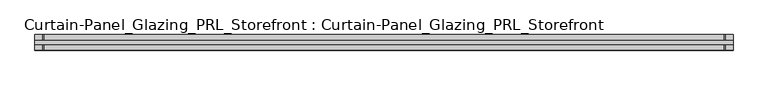
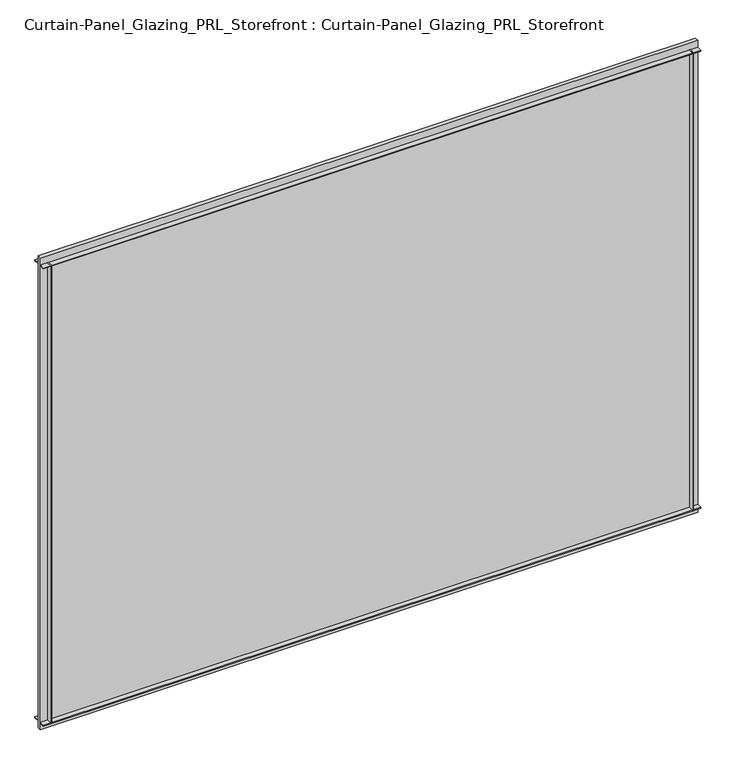
"""IFC4 building model written with IfcOpenShell, lengths in millimetres: plate geometry, Curtain-Panel_Glazing_PRL_Storefront : Curtain-Panel_Glazing_PRL_Storefront."""

import ifcopenshell
import ifcopenshell.guid

model = None  # the IFC model being written
_history = None  # IfcOwnerHistory: only IFC2X3 demands one
_inside = {}  # id of a spatial element -> (the spatial element, [elements in it])
_under = {}  # id of a project, library or spatial element -> (it, [spatial elements below it])
_declared = {}  # id of a project -> (the project, [libraries it declares])
_typed = {}  # id of a type object -> (the type object, [elements of that type])
_made_of = {}  # id of a material, layer set ... -> (it, [elements and type objects made of it])


def new_model(schema):
    """Start an empty IFC model of exactly this schema.

    Asked for "IFC4X3", IfcOpenShell would pick the latest addendum, in which some entities
    have other attributes; the version numbers below select the first issue.
    IFC2X3 requires an IfcOwnerHistory on every rooted entity: one is made here for all.
    """
    global model, _history
    if schema == "IFC4X3":
        model = ifcopenshell.file(schema_version=(4, 3, 0, 0))
    else:
        model = ifcopenshell.file(schema=schema)
    _inside.clear()
    _under.clear()
    _declared.clear()
    _typed.clear()
    _made_of.clear()
    _history = None
    if model.schema == "IFC2X3":
        org = make("IfcOrganization", Name="unknown")
        user = make(
            "IfcPersonAndOrganization",
            ThePerson=make("IfcPerson", FamilyName="unknown"),
            TheOrganization=org,
        )
        app = make(
            "IfcApplication",
            ApplicationDeveloper=org,
            Version="unknown",
            ApplicationFullName="unknown",
            ApplicationIdentifier="unknown",
        )
        _history = make(
            "IfcOwnerHistory",
            OwningUser=user,
            OwningApplication=app,
            ChangeAction="ADDED",
            CreationDate=0,
        )
    return model


def make(cls, **values):
    """One entity of the class cls with the attributes given. An attribute that is None is left unset."""
    return model.create_entity(
        cls, **{name: value for name, value in values.items() if value is not None}
    )


def rooted(cls, **values):
    """An entity with a GlobalId (a new one), such as an element, a storey or a relation."""
    return make(cls, GlobalId=ifcopenshell.guid.new(), OwnerHistory=_history, **values)


def si_unit(unit_type, name, prefix=None):
    """IfcSIUnit, for example si_unit("LENGTHUNIT", "METRE", prefix="MILLI")."""
    return make("IfcSIUnit", UnitType=unit_type, Prefix=prefix, Name=name)


def assignment(units):
    """IfcUnitAssignment: the units of a project."""
    return None if units is None else make("IfcUnitAssignment", Units=units)


def point(xyz):
    """IfcCartesianPoint."""
    return None if xyz is None else make("IfcCartesianPoint", Coordinates=xyz)


def direction(xyz):
    """IfcDirection."""
    return None if xyz is None else make("IfcDirection", DirectionRatios=xyz)


def frame(location, z_axis=None, x_axis=None):
    """IfcAxis2Placement3D, a coordinate frame: its origin and axes. An axis left out is left unset."""
    return make(
        "IfcAxis2Placement3D",
        Location=point(location),
        Axis=direction(z_axis),
        RefDirection=direction(x_axis),
    )


def origin():
    """The frame at (0, 0, 0) with its axes left unset."""
    return frame((0.0, 0.0, 0.0))


def origin_with_axes():
    """The frame at (0, 0, 0) with the z axis (0, 0, 1) and the x axis (1, 0, 0) written out."""
    return frame((0.0, 0.0, 0.0), z_axis=(0.0, 0.0, 1.0), x_axis=(1.0, 0.0, 0.0))


def place(relative_to, where):
    """IfcLocalPlacement: puts the frame where relative to a parent placement (None: the world)."""
    return make(
        "IfcLocalPlacement", PlacementRelTo=relative_to, RelativePlacement=where
    )


def context(
    kind, dimensions, precision=None, world=None, true_north=None, identifier=None
):
    """IfcGeometricRepresentationContext, for example the 3D "Model" context."""
    return make(
        "IfcGeometricRepresentationContext",
        ContextIdentifier=identifier,
        ContextType=kind,
        CoordinateSpaceDimension=dimensions,
        Precision=precision,
        WorldCoordinateSystem=world,
        TrueNorth=true_north,
    )


def project(units=None, contexts=None):
    """IfcProject with its units and contexts."""
    return rooted(
        "IfcProject",
        Name="project",
        RepresentationContexts=contexts,
        UnitsInContext=assignment(units),
    )


def spatial(cls, under=None, at=None, **own):
    """A site, building, storey or space (cls), placed at a placement, below another one or the project."""
    s = rooted(cls, ObjectPlacement=at, **own)
    if under is not None:
        _under.setdefault(under.id(), (under, []))[1].append(s)
    return s


def polyline(points):
    """IfcPolyline through the points."""
    return make("IfcPolyline", Points=[point(p) for p in points])


def outline(outer, holes=None, kind="AREA"):
    """IfcArbitraryClosedProfileDef: a profile drawn as a closed curve; with holes, ...WithVoids."""
    if holes is None:
        return make("IfcArbitraryClosedProfileDef", ProfileType=kind, OuterCurve=outer)
    return make(
        "IfcArbitraryProfileDefWithVoids",
        ProfileType=kind,
        OuterCurve=outer,
        InnerCurves=holes,
    )


def extrude(swept, where, along, depth):
    """IfcExtrudedAreaSolid: the profile swept, set in the frame where, extruded along a direction by depth."""
    return make(
        "IfcExtrudedAreaSolid",
        SweptArea=swept,
        Position=where,
        ExtrudedDirection=direction(along),
        Depth=depth,
    )


def shape(context_of_items, identifier, shape_type, items):
    """IfcShapeRepresentation: the items that make up one representation, for example the "Body"."""
    return make(
        "IfcShapeRepresentation",
        ContextOfItems=context_of_items,
        RepresentationIdentifier=identifier,
        RepresentationType=shape_type,
        Items=items,
    )


def source(mapping_origin, context_of_items, identifier, shape_type, items):
    """IfcRepresentationMap: a shape defined once, which mapped items show again and again."""
    return make(
        "IfcRepresentationMap",
        MappingOrigin=mapping_origin,
        MappedRepresentation=shape(context_of_items, identifier, shape_type, items),
    )


def transform(
    local_origin,
    x_axis=None,
    y_axis=None,
    z_axis=None,
    scale=None,
    scale2=None,
    scale3=None,
    uniform=True,
):
    """IfcCartesianTransformationOperator3D, or its non-uniform kind. x_axis, y_axis, z_axis: its Axis1, 2, 3."""
    if uniform:
        return make(
            "IfcCartesianTransformationOperator3D",
            Axis1=direction(x_axis),
            Axis2=direction(y_axis),
            LocalOrigin=point(local_origin),
            Scale=scale,
            Axis3=direction(z_axis),
        )
    return make(
        "IfcCartesianTransformationOperator3DnonUniform",
        Axis1=direction(x_axis),
        Axis2=direction(y_axis),
        LocalOrigin=point(local_origin),
        Scale=scale,
        Axis3=direction(z_axis),
        Scale2=scale2,
        Scale3=scale3,
    )


def mapped(mapping_source, mapping_target):
    """IfcMappedItem: shows the shape of a source again, moved by a transform."""
    return make(
        "IfcMappedItem", MappingSource=mapping_source, MappingTarget=mapping_target
    )


def made_of(thing, what):
    """Note that an element or type object is made of a material, layer set ...; save() writes the relation."""
    if what is not None:
        _made_of.setdefault(what.id(), (what, []))[1].append(thing)
    return thing


def element(
    cls,
    number,
    at=None,
    inside=None,
    cuts=None,
    type_object=None,
    material=None,
    context=None,
    identifier="Body",
    shape_type=None,
    held_by="IfcProductDefinitionShape",
    body=None,
    shapes=None,
    **own,
):
    """One element of the class cls, such as IfcWall. Its Tag is "e" and its number.

    at: its placement. inside: the storey or other place that contains it. cuts: it is an
    opening in that element (IfcRelVoidsElement). A single representation is given by context,
    identifier, shape_type and body (its items); several are given by shapes. held_by: the class
    of the entity that holds the representations. save() writes the other relations.
    """
    e = rooted(cls, Tag="e%d" % number, ObjectPlacement=at, **own)
    if body is not None:
        shapes = [shape(context, identifier, shape_type, body)]
    if shapes is not None:
        e.Representation = make(held_by, Representations=shapes)
    if inside is not None:
        _inside.setdefault(inside.id(), (inside, []))[1].append(e)
    if cuts is not None:
        rooted(
            "IfcRelVoidsElement", RelatingBuildingElement=cuts, RelatedOpeningElement=e
        )
    if type_object is not None:
        _typed.setdefault(type_object.id(), (type_object, []))[1].append(e)
    return made_of(e, material)


def aggregate(whole, parts):
    """IfcRelAggregates: a whole, such as a stair, and the parts it consists of."""
    return rooted("IfcRelAggregates", RelatingObject=whole, RelatedObjects=parts)


def save(model, path):
    """Write the relations noted so far, then the file.

    IfcRelAggregates (storeys below a building ...), IfcRelContainedInSpatialStructure (elements
    in a storey), IfcRelDefinesByType, IfcRelAssociatesMaterial and IfcRelDeclares: one each for
    every whole, place, type object, material and project.
    """
    for whole, parts in _under.values():
        aggregate(whole, parts)
    for where, things in _inside.values():
        rooted(
            "IfcRelContainedInSpatialStructure",
            RelatedElements=things,
            RelatingStructure=where,
        )
    for kind, things in _typed.values():
        rooted("IfcRelDefinesByType", RelatedObjects=things, RelatingType=kind)
    for what, things in _made_of.values():
        rooted("IfcRelAssociatesMaterial", RelatedObjects=things, RelatingMaterial=what)
    for by, libraries in _declared.values():
        rooted("IfcRelDeclares", RelatingContext=by, RelatedDefinitions=libraries)
    model.write(path)


def curtain_panel_glazing_prl_storefront_curtain_panel_glazing_0676385b(model_context):
    return source(origin(), model_context, "Body", "SweptSolid", [
        extrude(outline(polyline([(539.75, -12.7), (538.1625, -12.7), (538.1625, -3.175), (539.75, -3.175), (539.75, -12.7)])), frame((0.0, 0.0, 12.7), z_axis=(0.0, 0.0, 1.0), x_axis=(1.0, 0.0, 0.0)), (0.0, 0.0, 1.0), 841.375),
        extrude(outline(polyline([(539.75, 12.7), (539.75, 3.175), (538.1625, 3.175), (538.1625, 12.7), (539.75, 12.7)])), frame((0.0, 0.0, 12.7), z_axis=(0.0, 0.0, 1.0), x_axis=(1.0, 0.0, 0.0)), (0.0, 0.0, 1.0), 841.375),
        extrude(outline(polyline([(-577.85, -12.7), (-577.85, -3.175), (-576.2625, -3.175), (-576.2625, -12.7), (-577.85, -12.7)])), frame((0.0, 0.0, 12.7), z_axis=(0.0, 0.0, 1.0), x_axis=(1.0, 0.0, 0.0)), (0.0, 0.0, 1.0), 841.375),
        extrude(outline(polyline([(-577.85, 12.7), (-576.2625, 12.7), (-576.2625, 3.175), (-577.85, 3.175), (-577.85, 12.7)])), frame((0.0, 0.0, 12.7), z_axis=(0.0, 0.0, 1.0), x_axis=(1.0, 0.0, 0.0)), (0.0, 0.0, 1.0), 841.375),
        extrude(outline(polyline([(552.45, 3.175), (552.45, -3.175), (-590.55, -3.175), (-590.55, 3.175), (552.45, 3.175)])), origin_with_axes(), (0.0, 0.0, 1.0), 866.775),
        extrude(outline(polyline([(-590.55, -12.7), (-590.55, -3.175), (552.45, -3.175), (552.45, -12.7), (-590.55, -12.7)])), frame((0.0, 0.0, 852.4875), z_axis=(0.0, 0.0, 1.0), x_axis=(1.0, 0.0, 0.0)), (0.0, 0.0, 1.0), 1.5875),
        extrude(outline(polyline([(-590.55, 12.7), (552.45, 12.7), (552.45, 3.175), (-590.55, 3.175), (-590.55, 12.7)])), frame((0.0, 0.0, 852.4875), z_axis=(0.0, 0.0, 1.0), x_axis=(1.0, 0.0, 0.0)), (0.0, 0.0, 1.0), 1.5875),
        extrude(outline(polyline([(-590.55, -12.7), (-590.55, -3.175), (552.45, -3.175), (552.45, -12.7), (-590.55, -12.7)])), frame((0.0, 0.0, 12.7), z_axis=(0.0, 0.0, 1.0), x_axis=(1.0, 0.0, 0.0)), (0.0, 0.0, 1.0), 1.5875),
        extrude(outline(polyline([(-590.55, 12.7), (552.45, 12.7), (552.45, 3.175), (-590.55, 3.175), (-590.55, 12.7)])), frame((0.0, 0.0, 12.7), z_axis=(0.0, 0.0, 1.0), x_axis=(1.0, 0.0, 0.0)), (0.0, 0.0, 1.0), 1.5875),
    ])


if __name__ == "__main__":
    model = new_model("IFC4")
    model_context = context("Model", 3, world=origin())
    ifc_project = project(units=[si_unit("LENGTHUNIT", "METRE", prefix="MILLI")], contexts=[model_context])
    site = spatial("IfcSite", under=ifc_project)
    building = spatial("IfcBuilding", under=site)
    placement = place(None, origin())
    curtain_panel_glazing_prl_storefront_curtain_panel_glazing_shape = curtain_panel_glazing_prl_storefront_curtain_panel_glazing_0676385b(model_context)
    element("IfcPlate", 1, ObjectType="Curtain-Panel_Glazing_PRL_Storefront : Curtain-Panel_Glazing_PRL_Storefront", at=placement, inside=building, context=model_context, shape_type="MappedRepresentation", body=[
        mapped(curtain_panel_glazing_prl_storefront_curtain_panel_glazing_shape, transform((0.0, 0.0, 0.0), x_axis=(1.0, 0.0, 0.0), y_axis=(0.0, 1.0, 0.0), z_axis=(0.0, 0.0, 1.0))),
    ])
    save(model, "model.ifc")
